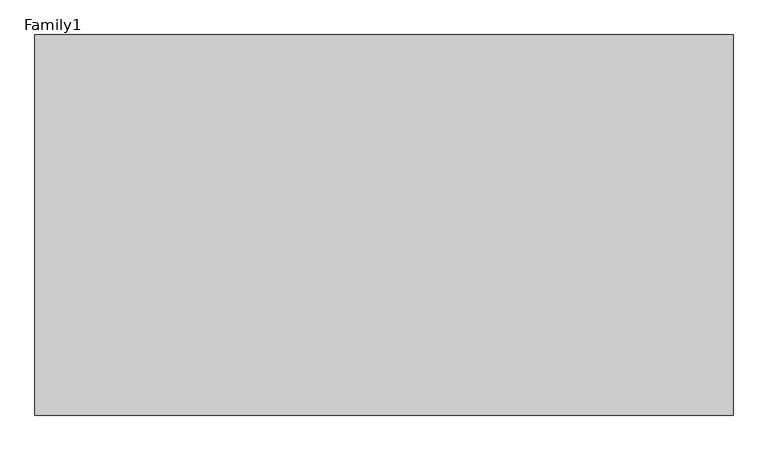
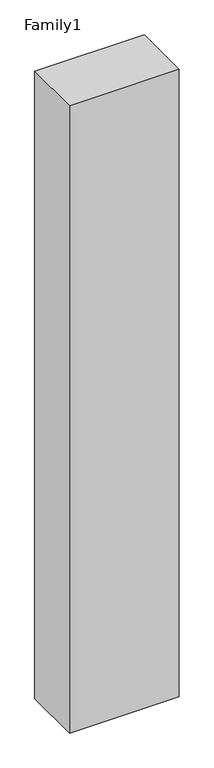
"""IFC4 building model written with IfcOpenShell, lengths in millimetres: proxy geometry, Family1."""

from ifc_helpers import new_model, si_unit, origin, origin_with_axes, place, context, project, spatial, polyline, outline, extrude, source, transform, mapped, element, save


def family1_6f2b8258(model_context):
    return source(origin(), model_context, "Body", "SweptSolid", [
        extrude(outline(polyline([(5500.0, 0.0), (0.0, 0.0), (0.0, 3000.0), (5500.0, 3000.0), (5500.0, 0.0)])), origin_with_axes(), (0.0, 0.0, 1.0), 33200.0),
    ])


if __name__ == "__main__":
    model = new_model("IFC4")
    model_context = context("Model", 3, world=origin())
    ifc_project = project(units=[si_unit("LENGTHUNIT", "METRE", prefix="MILLI")], contexts=[model_context])
    site = spatial("IfcSite", under=ifc_project)
    building = spatial("IfcBuilding", under=site)
    placement = place(None, origin())
    family1_shape = family1_6f2b8258(model_context)
    element("IfcBuildingElementProxy", 1, Name="Family1", ObjectType="Family1", at=placement, inside=building, context=model_context, shape_type="MappedRepresentation", body=[
        mapped(family1_shape, transform((0.0, 0.0, 0.0), x_axis=(1.0, 0.0, 0.0), y_axis=(0.0, 1.0, 0.0), z_axis=(0.0, 0.0, 1.0))),
    ])
    save(model, "model.ifc")
